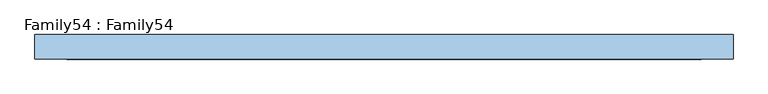
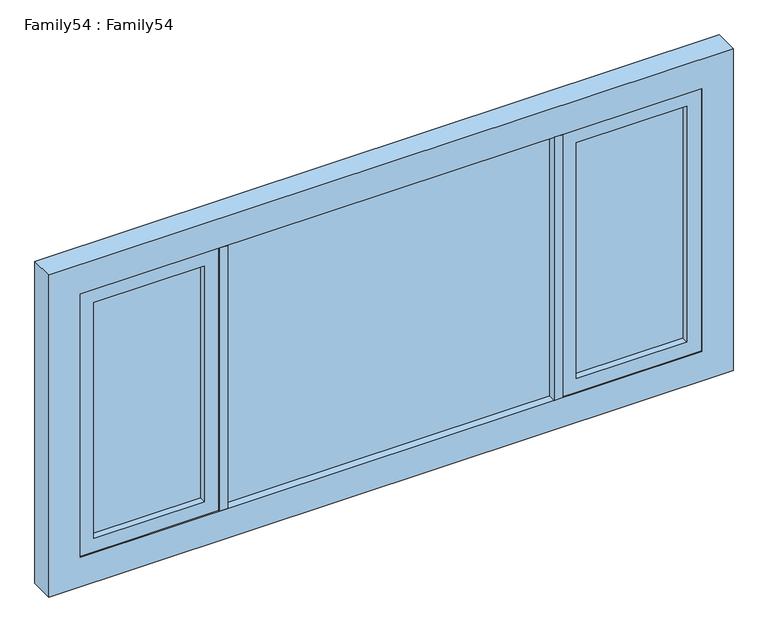
"""IFC4 building model written with IfcOpenShell, lengths in millimetres: window geometry, Family54 : Family54."""

from ifc_helpers import new_model, si_unit, frame, origin, place, context, project, spatial, polyline, outline, extrude, source, transform, mapped, element, save


def family54_family54_17156a00(model_context):
    return source(origin(), model_context, "Body", "SweptSolid", [
        extrude(outline(polyline([(570.0, 14.0), (570.0, 10.0), (-570.0, 10.0), (-570.0, 14.0), (570.0, 14.0)])), frame((0.0, 0.0, 909.0), z_axis=(0.0, 0.0, 1.0), x_axis=(1.0, 0.0, 0.0)), (0.0, 0.0, 1.0), 972.0),
        extrude(outline(polyline([(-570.0, -10.0), (570.0, -10.0), (570.0, -14.0), (-570.0, -14.0), (-570.0, -10.0)])), frame((0.0, 0.0, 909.0), z_axis=(0.0, 0.0, 1.0), x_axis=(1.0, 0.0, 0.0)), (0.0, 0.0, 1.0), 972.0),
        extrude(outline(polyline([(-650.0, 14.0), (-650.0, 10.0), (-1036.0, 10.0), (-1036.0, 14.0), (-650.0, 14.0)])), frame((0.0, 0.0, 959.0), z_axis=(0.0, 0.0, 1.0), x_axis=(1.0, 0.0, 0.0)), (0.0, 0.0, 1.0), 872.0),
        extrude(outline(polyline([(-650.0, -10.0), (-650.0, -14.0), (-1036.0, -14.0), (-1036.0, -10.0), (-650.0, -10.0)])), frame((0.0, 0.0, 959.0), z_axis=(0.0, 0.0, 1.0), x_axis=(1.0, 0.0, 0.0)), (0.0, 0.0, 1.0), 872.0),
        extrude(outline(polyline([(1036.0, 14.0), (1036.0, 10.0), (650.0, 10.0), (650.0, 14.0), (1036.0, 14.0)])), frame((0.0, 0.0, 959.0), z_axis=(0.0, 0.0, 1.0), x_axis=(1.0, 0.0, 0.0)), (0.0, 0.0, 1.0), 872.0),
        extrude(outline(polyline([(650.0, -10.0), (1036.0, -10.0), (1036.0, -14.0), (650.0, -14.0), (650.0, -10.0)])), frame((0.0, 0.0, 959.0), z_axis=(0.0, 0.0, 1.0), x_axis=(1.0, 0.0, 0.0)), (0.0, 0.0, 1.0), 872.0),
        extrude(outline(polyline([(600.0, -42.0), (570.0, -42.0), (570.0, 42.0), (600.0, 42.0), (600.0, -42.0)])), frame((0.0, 0.0, 909.0), z_axis=(0.0, 0.0, 1.0), x_axis=(1.0, 0.0, 0.0)), (0.0, 0.0, 1.0), 972.0),
        extrude(outline(polyline([(-570.0, -42.0), (-600.0, -42.0), (-600.0, 42.0), (-570.0, 42.0), (-570.0, -42.0)])), frame((0.0, 0.0, 909.0), z_axis=(0.0, 0.0, 1.0), x_axis=(1.0, 0.0, 0.0)), (0.0, 0.0, 1.0), 972.0),
        extrude(outline(polyline([(1881.0, 600.0), (909.0, 600.0), (909.0, 1086.0), (1881.0, 1086.0), (1881.0, 600.0)]), holes=[polyline([(959.0, 650.0), (1831.0, 650.0), (1831.0, 1036.0), (959.0, 1036.0), (959.0, 650.0)])]), frame((0.0, -38.0, 0.0), z_axis=(0.0, 1.0, 0.0), x_axis=(0.0, 0.0, 1.0)), (0.0, 0.0, 1.0), 76.0),
        extrude(outline(polyline([(1881.0, -600.0), (1881.0, -1086.0), (909.0, -1086.0), (909.0, -600.0), (1881.0, -600.0)]), holes=[polyline([(959.0, -650.0), (959.0, -1036.0), (1831.0, -1036.0), (1831.0, -650.0), (959.0, -650.0)])]), frame((0.0, -38.0, 0.0), z_axis=(0.0, 1.0, 0.0), x_axis=(0.0, 0.0, 1.0)), (0.0, 0.0, 1.0), 76.0),
        extrude(outline(polyline([(1990.0, 1195.0), (1990.0, -1195.0), (800.0, -1195.0), (800.0, 1195.0), (1990.0, 1195.0)]), holes=[polyline([(909.0, 1086.0), (909.0, -1086.0), (1881.0, -1086.0), (1881.0, 1086.0), (909.0, 1086.0)])]), frame((0.0, -42.0, 0.0), z_axis=(0.0, 1.0, 0.0), x_axis=(0.0, 0.0, 1.0)), (0.0, 0.0, 1.0), 84.0),
    ])


if __name__ == "__main__":
    model = new_model("IFC4")
    model_context = context("Model", 3, world=origin())
    ifc_project = project(units=[si_unit("LENGTHUNIT", "METRE", prefix="MILLI")], contexts=[model_context])
    site = spatial("IfcSite", under=ifc_project)
    building = spatial("IfcBuilding", under=site)
    placement = place(None, origin())
    family54_family54_shape = family54_family54_17156a00(model_context)
    element("IfcWindow", 1, ObjectType="Family54 : Family54", at=placement, inside=building, context=model_context, shape_type="MappedRepresentation", body=[
        mapped(family54_family54_shape, transform((0.0, 0.0, 0.0), x_axis=(1.0, 0.0, 0.0), y_axis=(0.0, 1.0, 0.0), z_axis=(0.0, 0.0, 1.0))),
    ])
    save(model, "model.ifc")
